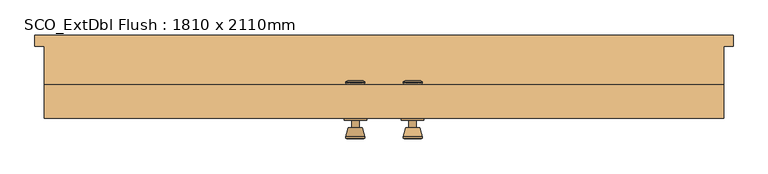
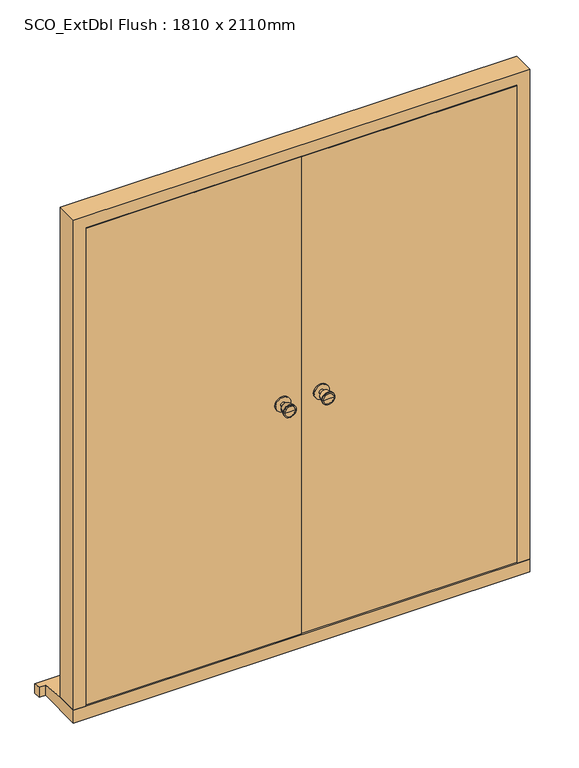
"""IFC4 building model written with IfcOpenShell, lengths in millimetres: door geometry, SCO_ExtDbl Flush : 1810 x 2110mm."""

from ifc_helpers import new_model, si_unit, point, frame, frame_2d, origin, place, context, project, spatial, polyline, circle_curve, trimmed, segment, composite_curve, outline, extrude, faceted_brep, source, transform, mapped, element, save
from ifc_brep_helpers import plane_surface, cylinder_surface, revolved_surface, advanced_brep


def sco_extdbl_flush_1810_x_2110mm_cfdb8371(model_context):
    return source(origin(), model_context, "Body", "SolidModel", [
        advanced_brep(
        [(-76.5, -97.5, 1050.0), (-66.5, -97.5, 1050.0), (-86.5, -97.5, 1050.0), (-96.9758676, -146.5, 1050.0), (-56.0241324, -146.5, 1050.0), (-76.5, -146.5, 1050.0), (-101.5, -144.6721319, 1050.0), (-51.5, -144.6721319, 1050.0), (-101.5, -141.2084537, 1050.0), (-51.5, -141.2084537, 1050.0), (-95.136236, -116.5, 1050.0), (-57.863764, -116.5, 1050.0), (-86.5, -116.5, 1050.0), (-66.5, -116.5, 1050.0)],
        [
            (0, 1),
            (1, 2, circle_curve(frame((-76.5, -97.5, 1050.0), z_axis=(0.0, 1.0, 0.0), x_axis=(1.0, 0.0, 0.0)), 10.0)),
            (2, 0),
            (2, 1, circle_curve(frame((-76.5, -97.5, 1050.0), z_axis=(0.0, 1.0, 0.0), x_axis=(1.0, 0.0, 0.0)), 10.0)),
            (3, 4, circle_curve(frame((-76.5, -146.5, 1050.0), z_axis=(0.0, -1.0, 0.0), x_axis=(1.0, 0.0, 0.0)), 20.4758676)),
            (4, 5),
            (5, 3),
            (4, 3, circle_curve(frame((-76.5, -146.5, 1050.0), z_axis=(0.0, -1.0, 0.0), x_axis=(1.0, 0.0, 0.0)), 20.4758676)),
            (6, 7, circle_curve(frame((-76.5, -144.6721319, 1050.0), z_axis=(0.0, -1.0, 0.0), x_axis=(1.0, 0.0, 0.0)), 25.0)),
            (7, 4),
            (3, 6),
            (7, 6, circle_curve(frame((-76.5, -144.6721319, 1050.0), z_axis=(0.0, -1.0, 0.0), x_axis=(1.0, 0.0, 0.0)), 25.0)),
            (8, 9, circle_curve(frame((-76.5, -141.2084537, 1050.0), z_axis=(0.0, -1.0, 0.0), x_axis=(1.0, 0.0, 0.0)), 25.0)),
            (9, 7),
            (6, 8),
            (9, 8, circle_curve(frame((-76.5, -141.2084537, 1050.0), z_axis=(0.0, -1.0, 0.0), x_axis=(1.0, 0.0, 0.0)), 25.0)),
            (10, 11, circle_curve(frame((-76.5, -116.5, 1050.0), z_axis=(0.0, -1.0, 0.0), x_axis=(1.0, 0.0, 0.0)), 18.636236)),
            (11, 9),
            (8, 10),
            (11, 10, circle_curve(frame((-76.5, -116.5, 1050.0), z_axis=(0.0, -1.0, 0.0), x_axis=(1.0, 0.0, 0.0)), 18.636236)),
            (12, 13, circle_curve(frame((-76.5, -116.5, 1050.0), z_axis=(0.0, -1.0, 0.0), x_axis=(1.0, 0.0, 0.0)), 10.0)),
            (13, 11),
            (10, 12),
            (13, 12, circle_curve(frame((-76.5, -116.5, 1050.0), z_axis=(0.0, -1.0, 0.0), x_axis=(1.0, 0.0, 0.0)), 10.0)),
            (1, 13),
            (12, 2),
        ],
        [
            plane_surface(frame((-76.5, -97.5, 1050.0), z_axis=(0.0, 1.0, 0.0), x_axis=(1.0, 0.0, 0.0))),
            plane_surface(frame((-76.5, -146.5, 1050.0), z_axis=(0.0, -1.0, 0.0), x_axis=(1.0, 0.0, 0.0))),
            revolved_surface(polyline([(-56.0241324, -146.5, 1050.0), (-51.5, -144.6721319, 1050.0)]), (-76.5, -97.5, 1050.0), (0.0, 1.0, 0.0)),
            cylinder_surface(frame((-76.5, -97.5, 1050.0), z_axis=(0.0, 1.0, 0.0), x_axis=(1.0, 0.0, 0.0)), 25.0),
            revolved_surface(polyline([(-51.5, -141.2084537, 1050.0), (-57.863764, -116.5, 1050.0)]), (-76.5, -97.5, 1050.0), (0.0, 1.0, 0.0)),
            plane_surface(frame((-76.5, -116.5, 1050.0), z_axis=(0.0, 1.0, 0.0), x_axis=(1.0, 0.0, 0.0))),
            cylinder_surface(frame((-76.5, -97.5, 1050.0), z_axis=(0.0, 1.0, 0.0), x_axis=(1.0, 0.0, 0.0)), 10.0),
        ],
        [
            (0, [[1, 2, 3]]),
            (0, [[-3, 4, -1]]),
            (1, [[5, 6, 7]]),
            (1, [[8, -7, -6]]),
            (2, [[9, 10, -5, 11]]),
            (2, [[12, -11, -8, -10]]),
            (3, [[13, 14, -9, 15]]),
            (3, [[16, -15, -12, -14]]),
            (4, [[17, 18, -13, 19]]),
            (4, [[20, -19, -16, -18]]),
            (5, [[21, 22, -17, 23]]),
            (5, [[24, -23, -20, -22]]),
            (6, [[-2, 25, -21, 26]]),
            (6, [[-4, -26, -24, -25]]),
        ],
    ),
        extrude(outline(composite_curve([segment(trimmed(circle_curve(frame_2d((1050.0, -76.5)), 30.0), [point((1050.0, -46.5))], [point((1050.0, -106.5))], False, "CARTESIAN"), True, "CONTINUOUS"), segment(trimmed(circle_curve(frame_2d((1050.0, -76.5)), 30.0), [point((1050.0, -106.5))], [point((1050.0, -46.5))], False, "CARTESIAN"), True, "CONTINUOUS")], self_intersect=False)), frame((0.0, -97.5, 0.0), z_axis=(0.0, 1.0, 0.0), x_axis=(0.0, 0.0, 1.0)), (0.0, 0.0, 1.0), 6.0),
        advanced_brep(
        [(-76.5, -41.5, 1050.0), (-86.5, -41.5, 1050.0), (-66.5, -41.5, 1050.0), (-96.9758676, 7.5, 1050.0), (-76.5, 7.5, 1050.0), (-56.0241324, 7.5, 1050.0), (-101.5, 5.6721319, 1050.0), (-51.5, 5.6721319, 1050.0), (-101.5, 2.2084537, 1050.0), (-51.5, 2.2084537, 1050.0), (-95.136236, -22.5, 1050.0), (-57.863764, -22.5, 1050.0), (-86.5, -22.5, 1050.0), (-66.5, -22.5, 1050.0)],
        [
            (0, 1),
            (1, 2, circle_curve(frame((-76.5, -41.5, 1050.0), z_axis=(0.0, -1.0, 0.0), x_axis=(1.0, 0.0, 0.0)), 10.0)),
            (2, 0),
            (2, 1, circle_curve(frame((-76.5, -41.5, 1050.0), z_axis=(0.0, -1.0, 0.0), x_axis=(1.0, 0.0, 0.0)), 10.0)),
            (3, 4),
            (4, 5),
            (5, 3, circle_curve(frame((-76.5, 7.5, 1050.0), z_axis=(0.0, 1.0, 0.0), x_axis=(1.0, 0.0, 0.0)), 20.4758676)),
            (3, 5, circle_curve(frame((-76.5, 7.5, 1050.0), z_axis=(0.0, 1.0, 0.0), x_axis=(1.0, 0.0, 0.0)), 20.4758676)),
            (6, 3),
            (5, 7),
            (7, 6, circle_curve(frame((-76.5, 5.6721319, 1050.0), z_axis=(0.0, 1.0, 0.0), x_axis=(1.0, 0.0, 0.0)), 25.0)),
            (6, 7, circle_curve(frame((-76.5, 5.6721319, 1050.0), z_axis=(0.0, 1.0, 0.0), x_axis=(1.0, 0.0, 0.0)), 25.0)),
            (8, 6),
            (7, 9),
            (9, 8, circle_curve(frame((-76.5, 2.2084537, 1050.0), z_axis=(0.0, 1.0, 0.0), x_axis=(1.0, 0.0, 0.0)), 25.0)),
            (8, 9, circle_curve(frame((-76.5, 2.2084537, 1050.0), z_axis=(0.0, 1.0, 0.0), x_axis=(1.0, 0.0, 0.0)), 25.0)),
            (10, 8),
            (9, 11),
            (11, 10, circle_curve(frame((-76.5, -22.5, 1050.0), z_axis=(0.0, 1.0, 0.0), x_axis=(1.0, 0.0, 0.0)), 18.636236)),
            (10, 11, circle_curve(frame((-76.5, -22.5, 1050.0), z_axis=(0.0, 1.0, 0.0), x_axis=(1.0, 0.0, 0.0)), 18.636236)),
            (12, 10),
            (11, 13),
            (13, 12, circle_curve(frame((-76.5, -22.5, 1050.0), z_axis=(0.0, 1.0, 0.0), x_axis=(1.0, 0.0, 0.0)), 10.0)),
            (12, 13, circle_curve(frame((-76.5, -22.5, 1050.0), z_axis=(0.0, 1.0, 0.0), x_axis=(1.0, 0.0, 0.0)), 10.0)),
            (1, 12),
            (13, 2),
        ],
        [
            plane_surface(frame((-76.5, -41.5, 1050.0), z_axis=(0.0, -1.0, 0.0), x_axis=(1.0, 0.0, 0.0))),
            plane_surface(frame((-76.5, 7.5, 1050.0), z_axis=(0.0, 1.0, 0.0), x_axis=(1.0, 0.0, 0.0))),
            revolved_surface(polyline([(-56.0241324, 7.5, 1050.0), (-51.5, 5.6721319, 1050.0)]), (-76.5, -41.5, 1050.0), (0.0, -1.0, 0.0)),
            cylinder_surface(frame((-76.5, -41.5, 1050.0), z_axis=(0.0, -1.0, 0.0), x_axis=(1.0, 0.0, 0.0)), 25.0),
            revolved_surface(polyline([(-51.5, 2.2084537, 1050.0), (-57.863764, -22.5, 1050.0)]), (-76.5, -41.5, 1050.0), (0.0, -1.0, 0.0)),
            plane_surface(frame((-76.5, -22.5, 1050.0), z_axis=(0.0, -1.0, 0.0), x_axis=(1.0, 0.0, 0.0))),
            cylinder_surface(frame((-76.5, -41.5, 1050.0), z_axis=(0.0, -1.0, 0.0), x_axis=(1.0, 0.0, 0.0)), 10.0),
        ],
        [
            (0, [[1, 2, 3]]),
            (0, [[-3, 4, -1]]),
            (1, [[5, 6, 7]]),
            (1, [[-6, -5, 8]]),
            (2, [[9, -7, 10, 11]]),
            (2, [[-10, -8, -9, 12]]),
            (3, [[13, -11, 14, 15]]),
            (3, [[-14, -12, -13, 16]]),
            (4, [[17, -15, 18, 19]]),
            (4, [[-18, -16, -17, 20]]),
            (5, [[21, -19, 22, 23]]),
            (5, [[-22, -20, -21, 24]]),
            (6, [[25, -23, 26, -2]]),
            (6, [[-26, -24, -25, -4]]),
        ],
    ),
        extrude(outline(composite_curve([segment(trimmed(circle_curve(frame_2d((1050.0, -76.5)), 30.0), [point((1050.0, -46.5))], [point((1050.0, -106.5))], False, "CARTESIAN"), True, "CONTINUOUS"), segment(trimmed(circle_curve(frame_2d((1050.0, -76.5)), 30.0), [point((1050.0, -106.5))], [point((1050.0, -46.5))], False, "CARTESIAN"), True, "CONTINUOUS")], self_intersect=False)), frame((0.0, -47.5, 0.0), z_axis=(0.0, 1.0, 0.0), x_axis=(0.0, 0.0, 1.0)), (0.0, 0.0, 1.0), 6.0),
        advanced_brep(
        [(76.5, -97.5, 1050.0), (86.5, -97.5, 1050.0), (66.5, -97.5, 1050.0), (96.9758676, -146.5, 1050.0), (76.5, -146.5, 1050.0), (56.0241324, -146.5, 1050.0), (101.5, -144.6721319, 1050.0), (51.5, -144.6721319, 1050.0), (101.5, -141.2084537, 1050.0), (51.5, -141.2084537, 1050.0), (95.136236, -116.5, 1050.0), (57.863764, -116.5, 1050.0), (86.5, -116.5, 1050.0), (66.5, -116.5, 1050.0)],
        [
            (0, 1),
            (1, 2, circle_curve(frame((76.5, -97.5, 1050.0), z_axis=(0.0, 1.0, 0.0), x_axis=(-1.0, 0.0, 0.0)), 10.0)),
            (2, 0),
            (2, 1, circle_curve(frame((76.5, -97.5, 1050.0), z_axis=(0.0, 1.0, 0.0), x_axis=(-1.0, 0.0, 0.0)), 10.0)),
            (3, 4),
            (4, 5),
            (5, 3, circle_curve(frame((76.5, -146.5, 1050.0), z_axis=(0.0, -1.0, 0.0), x_axis=(-1.0, 0.0, 0.0)), 20.4758676)),
            (3, 5, circle_curve(frame((76.5, -146.5, 1050.0), z_axis=(0.0, -1.0, 0.0), x_axis=(-1.0, 0.0, 0.0)), 20.4758676)),
            (6, 3),
            (5, 7),
            (7, 6, circle_curve(frame((76.5, -144.6721319, 1050.0), z_axis=(0.0, -1.0, 0.0), x_axis=(-1.0, 0.0, 0.0)), 25.0)),
            (6, 7, circle_curve(frame((76.5, -144.6721319, 1050.0), z_axis=(0.0, -1.0, 0.0), x_axis=(-1.0, 0.0, 0.0)), 25.0)),
            (8, 6),
            (7, 9),
            (9, 8, circle_curve(frame((76.5, -141.2084537, 1050.0), z_axis=(0.0, -1.0, 0.0), x_axis=(-1.0, 0.0, 0.0)), 25.0)),
            (8, 9, circle_curve(frame((76.5, -141.2084537, 1050.0), z_axis=(0.0, -1.0, 0.0), x_axis=(-1.0, 0.0, 0.0)), 25.0)),
            (10, 8),
            (9, 11),
            (11, 10, circle_curve(frame((76.5, -116.5, 1050.0), z_axis=(0.0, -1.0, 0.0), x_axis=(-1.0, 0.0, 0.0)), 18.636236)),
            (10, 11, circle_curve(frame((76.5, -116.5, 1050.0), z_axis=(0.0, -1.0, 0.0), x_axis=(-1.0, 0.0, 0.0)), 18.636236)),
            (12, 10),
            (11, 13),
            (13, 12, circle_curve(frame((76.5, -116.5, 1050.0), z_axis=(0.0, -1.0, 0.0), x_axis=(-1.0, 0.0, 0.0)), 10.0)),
            (12, 13, circle_curve(frame((76.5, -116.5, 1050.0), z_axis=(0.0, -1.0, 0.0), x_axis=(-1.0, 0.0, 0.0)), 10.0)),
            (1, 12),
            (13, 2),
        ],
        [
            plane_surface(frame((76.5, -97.5, 1050.0), z_axis=(0.0, 1.0, 0.0), x_axis=(-1.0, 0.0, 0.0))),
            plane_surface(frame((76.5, -146.5, 1050.0), z_axis=(0.0, -1.0, 0.0), x_axis=(-1.0, 0.0, 0.0))),
            revolved_surface(polyline([(56.0241324, -146.5, 1050.0), (51.5, -144.6721319, 1050.0)]), (76.5, -97.5, 1050.0), (0.0, 1.0, 0.0)),
            cylinder_surface(frame((76.5, -97.5, 1050.0), z_axis=(0.0, 1.0, 0.0), x_axis=(-1.0, 0.0, 0.0)), 25.0),
            revolved_surface(polyline([(51.5, -141.2084537, 1050.0), (57.863764, -116.5, 1050.0)]), (76.5, -97.5, 1050.0), (0.0, 1.0, 0.0)),
            plane_surface(frame((76.5, -116.5, 1050.0), z_axis=(0.0, 1.0, 0.0), x_axis=(-1.0, 0.0, 0.0))),
            cylinder_surface(frame((76.5, -97.5, 1050.0), z_axis=(0.0, 1.0, 0.0), x_axis=(-1.0, 0.0, 0.0)), 10.0),
        ],
        [
            (0, [[1, 2, 3]]),
            (0, [[-3, 4, -1]]),
            (1, [[5, 6, 7]]),
            (1, [[-6, -5, 8]]),
            (2, [[9, -7, 10, 11]]),
            (2, [[-10, -8, -9, 12]]),
            (3, [[13, -11, 14, 15]]),
            (3, [[-14, -12, -13, 16]]),
            (4, [[17, -15, 18, 19]]),
            (4, [[-18, -16, -17, 20]]),
            (5, [[21, -19, 22, 23]]),
            (5, [[-22, -20, -21, 24]]),
            (6, [[25, -23, 26, -2]]),
            (6, [[-26, -24, -25, -4]]),
        ],
    ),
        extrude(outline(composite_curve([segment(trimmed(circle_curve(frame_2d((1050.0, 76.5)), 30.0), [point((1050.0, 46.5))], [point((1050.0, 106.5))], False, "CARTESIAN"), True, "CONTINUOUS"), segment(trimmed(circle_curve(frame_2d((1050.0, 76.5)), 30.0), [point((1050.0, 106.5))], [point((1050.0, 46.5))], False, "CARTESIAN"), True, "CONTINUOUS")], self_intersect=False)), frame((0.0, -97.5, 0.0), z_axis=(0.0, 1.0, 0.0), x_axis=(0.0, 0.0, 1.0)), (0.0, 0.0, 1.0), 6.0),
        advanced_brep(
        [(76.5, -41.5, 1050.0), (66.5, -41.5, 1050.0), (86.5, -41.5, 1050.0), (96.9758676, 7.5, 1050.0), (56.0241324, 7.5, 1050.0), (76.5, 7.5, 1050.0), (101.5, 5.6721319, 1050.0), (51.5, 5.6721319, 1050.0), (101.5, 2.2084537, 1050.0), (51.5, 2.2084537, 1050.0), (95.136236, -22.5, 1050.0), (57.863764, -22.5, 1050.0), (86.5, -22.5, 1050.0), (66.5, -22.5, 1050.0)],
        [
            (0, 1),
            (1, 2, circle_curve(frame((76.5, -41.5, 1050.0), z_axis=(0.0, -1.0, 0.0), x_axis=(-1.0, 0.0, 0.0)), 10.0)),
            (2, 0),
            (2, 1, circle_curve(frame((76.5, -41.5, 1050.0), z_axis=(0.0, -1.0, 0.0), x_axis=(-1.0, 0.0, 0.0)), 10.0)),
            (3, 4, circle_curve(frame((76.5, 7.5, 1050.0), z_axis=(0.0, 1.0, 0.0), x_axis=(-1.0, 0.0, 0.0)), 20.4758676)),
            (4, 5),
            (5, 3),
            (4, 3, circle_curve(frame((76.5, 7.5, 1050.0), z_axis=(0.0, 1.0, 0.0), x_axis=(-1.0, 0.0, 0.0)), 20.4758676)),
            (6, 7, circle_curve(frame((76.5, 5.6721319, 1050.0), z_axis=(0.0, 1.0, 0.0), x_axis=(-1.0, 0.0, 0.0)), 25.0)),
            (7, 4),
            (3, 6),
            (7, 6, circle_curve(frame((76.5, 5.6721319, 1050.0), z_axis=(0.0, 1.0, 0.0), x_axis=(-1.0, 0.0, 0.0)), 25.0)),
            (8, 9, circle_curve(frame((76.5, 2.2084537, 1050.0), z_axis=(0.0, 1.0, 0.0), x_axis=(-1.0, 0.0, 0.0)), 25.0)),
            (9, 7),
            (6, 8),
            (9, 8, circle_curve(frame((76.5, 2.2084537, 1050.0), z_axis=(0.0, 1.0, 0.0), x_axis=(-1.0, 0.0, 0.0)), 25.0)),
            (10, 11, circle_curve(frame((76.5, -22.5, 1050.0), z_axis=(0.0, 1.0, 0.0), x_axis=(-1.0, 0.0, 0.0)), 18.636236)),
            (11, 9),
            (8, 10),
            (11, 10, circle_curve(frame((76.5, -22.5, 1050.0), z_axis=(0.0, 1.0, 0.0), x_axis=(-1.0, 0.0, 0.0)), 18.636236)),
            (12, 13, circle_curve(frame((76.5, -22.5, 1050.0), z_axis=(0.0, 1.0, 0.0), x_axis=(-1.0, 0.0, 0.0)), 10.0)),
            (13, 11),
            (10, 12),
            (13, 12, circle_curve(frame((76.5, -22.5, 1050.0), z_axis=(0.0, 1.0, 0.0), x_axis=(-1.0, 0.0, 0.0)), 10.0)),
            (1, 13),
            (12, 2),
        ],
        [
            plane_surface(frame((76.5, -41.5, 1050.0), z_axis=(0.0, -1.0, 0.0), x_axis=(-1.0, 0.0, 0.0))),
            plane_surface(frame((76.5, 7.5, 1050.0), z_axis=(0.0, 1.0, 0.0), x_axis=(-1.0, 0.0, 0.0))),
            revolved_surface(polyline([(56.0241324, 7.5, 1050.0), (51.5, 5.6721319, 1050.0)]), (76.5, -41.5, 1050.0), (0.0, -1.0, 0.0)),
            cylinder_surface(frame((76.5, -41.5, 1050.0), z_axis=(0.0, -1.0, 0.0), x_axis=(-1.0, 0.0, 0.0)), 25.0),
            revolved_surface(polyline([(51.5, 2.2084537, 1050.0), (57.863764, -22.5, 1050.0)]), (76.5, -41.5, 1050.0), (0.0, -1.0, 0.0)),
            plane_surface(frame((76.5, -22.5, 1050.0), z_axis=(0.0, -1.0, 0.0), x_axis=(-1.0, 0.0, 0.0))),
            cylinder_surface(frame((76.5, -41.5, 1050.0), z_axis=(0.0, -1.0, 0.0), x_axis=(-1.0, 0.0, 0.0)), 10.0),
        ],
        [
            (0, [[1, 2, 3]]),
            (0, [[-3, 4, -1]]),
            (1, [[5, 6, 7]]),
            (1, [[8, -7, -6]]),
            (2, [[9, 10, -5, 11]]),
            (2, [[12, -11, -8, -10]]),
            (3, [[13, 14, -9, 15]]),
            (3, [[16, -15, -12, -14]]),
            (4, [[17, 18, -13, 19]]),
            (4, [[20, -19, -16, -18]]),
            (5, [[21, 22, -17, 23]]),
            (5, [[24, -23, -20, -22]]),
            (6, [[-2, 25, -21, 26]]),
            (6, [[-4, -26, -24, -25]]),
        ],
    ),
        extrude(outline(composite_curve([segment(trimmed(circle_curve(frame_2d((1050.0, 76.5)), 30.0), [point((1050.0, 46.5))], [point((1050.0, 106.5))], False, "CARTESIAN"), True, "CONTINUOUS"), segment(trimmed(circle_curve(frame_2d((1050.0, 76.5)), 30.0), [point((1050.0, 106.5))], [point((1050.0, 46.5))], False, "CARTESIAN"), True, "CONTINUOUS")], self_intersect=False)), frame((0.0, -47.5, 0.0), z_axis=(0.0, 1.0, 0.0), x_axis=(0.0, 0.0, 1.0)), (0.0, 0.0, 1.0), 6.0),
        faceted_brep([(834.5, -2.5, 54.5), (905.0, -2.5, 54.5), (905.0, -91.5, 54.5), (856.5, -91.5, 54.5), (856.5, -44.5, 54.5), (834.5, -44.5, 54.5), (834.5, -2.5, 2039.5), (-834.5, -2.5, 2039.5), (-834.5, -2.5, 54.5), (-905.0, -2.5, 54.5), (-905.0, -2.5, 2110.0), (905.0, -2.5, 2110.0), (905.0, -91.5, 2110.0), (-905.0, -91.5, 2110.0), (-905.0, -91.5, 54.5), (-856.5, -91.5, 54.5), (-856.5, -91.5, 2061.5), (856.5, -91.5, 2061.5), (856.5, -44.5, 2061.5), (-856.5, -44.5, 2061.5), (-856.5, -44.5, 54.5), (-834.5, -44.5, 54.5), (-834.5, -44.5, 2039.5), (834.5, -44.5, 2039.5)], [[[0, 1, 2, 3, 4, 5]], [[1, 0, 6, 7, 8, 9, 10, 11]], [[2, 1, 11, 12]], [[3, 2, 12, 13, 14, 15, 16, 17]], [[4, 3, 17, 18]], [[5, 4, 18, 19, 20, 21, 22, 23]], [[0, 5, 23, 6]], [[7, 22, 21, 8]], [[8, 21, 20, 15, 14, 9]], [[13, 10, 9, 14]], [[19, 16, 15, 20]], [[12, 11, 10, 13]], [[18, 17, 16, 19]], [[6, 23, 22, 7]]]),
        faceted_brep([(930.0, 130.0, 0.0), (930.0, 130.0, 38.5947221), (930.0, 100.0, 42.1959171), (930.0, 100.0, 0.0), (-930.0, 130.0, 38.5947221), (-930.0, 130.0, 0.0), (-930.0, 100.0, 0.0), (-930.0, 100.0, 42.1959171), (905.0, 100.0, 0.0), (905.0, -91.5, 0.0), (-905.0, -91.5, 0.0), (-905.0, 100.0, 0.0), (-905.0, 100.0, 42.1959171), (-905.0, -2.5, 54.5), (905.0, -2.5, 54.5), (905.0, 100.0, 42.1959171), (-905.0, -91.5, 54.5), (905.0, -91.5, 54.5)], [[[0, 1, 2, 3]], [[4, 5, 6, 7]], [[5, 0, 3, 8, 9, 10, 11, 6]], [[1, 0, 5, 4]], [[1, 4, 7, 12, 13, 14, 15, 2]], [[13, 16, 17, 14]], [[16, 10, 9, 17]], [[12, 11, 10, 16, 13]], [[11, 12, 7, 6]], [[8, 15, 14, 17, 9]], [[15, 8, 3, 2]]]),
        extrude(outline(polyline([(853.5, -91.5), (1.5, -91.5), (1.5, -47.5), (853.5, -47.5), (853.5, -91.5)])), frame((0.0, 0.0, 58.5), z_axis=(0.0, 0.0, 1.0), x_axis=(1.0, 0.0, 0.0)), (0.0, 0.0, 1.0), 2000.0),
        extrude(outline(polyline([(-1.5, -91.5), (-853.5, -91.5), (-853.5, -47.5), (-1.5, -47.5), (-1.5, -91.5)])), frame((0.0, 0.0, 58.5), z_axis=(0.0, 0.0, 1.0), x_axis=(1.0, 0.0, 0.0)), (0.0, 0.0, 1.0), 2000.0),
    ])


if __name__ == "__main__":
    model = new_model("IFC4")
    model_context = context("Model", 3, world=origin())
    ifc_project = project(units=[si_unit("LENGTHUNIT", "METRE", prefix="MILLI")], contexts=[model_context])
    site = spatial("IfcSite", under=ifc_project)
    building = spatial("IfcBuilding", under=site)
    placement = place(None, origin())
    sco_extdbl_flush_1810_x_2110mm_shape = sco_extdbl_flush_1810_x_2110mm_cfdb8371(model_context)
    element("IfcDoor", 1, ObjectType="SCO_ExtDbl Flush : 1810 x 2110mm", at=placement, inside=building, context=model_context, shape_type="MappedRepresentation", body=[
        mapped(sco_extdbl_flush_1810_x_2110mm_shape, transform((0.0, 0.0, 0.0), x_axis=(1.0, 0.0, 0.0), y_axis=(0.0, 1.0, 0.0), z_axis=(0.0, 0.0, 1.0))),
    ])
    save(model, "model.ifc")
